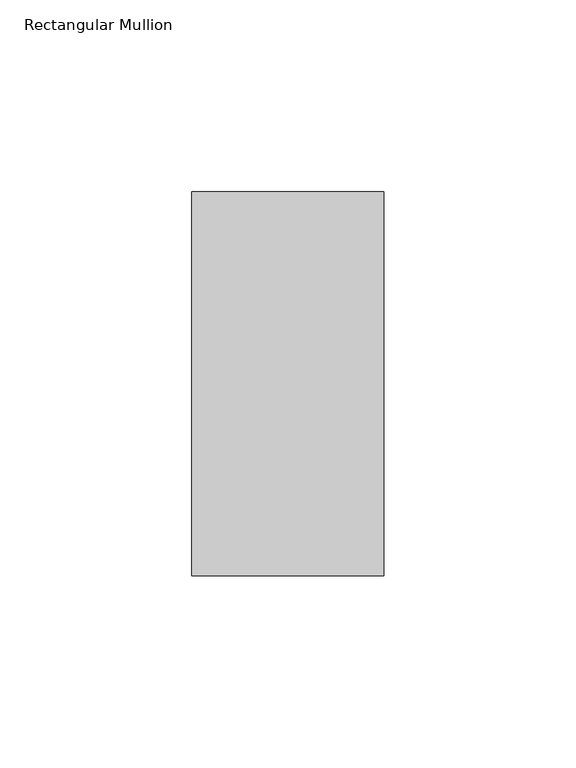
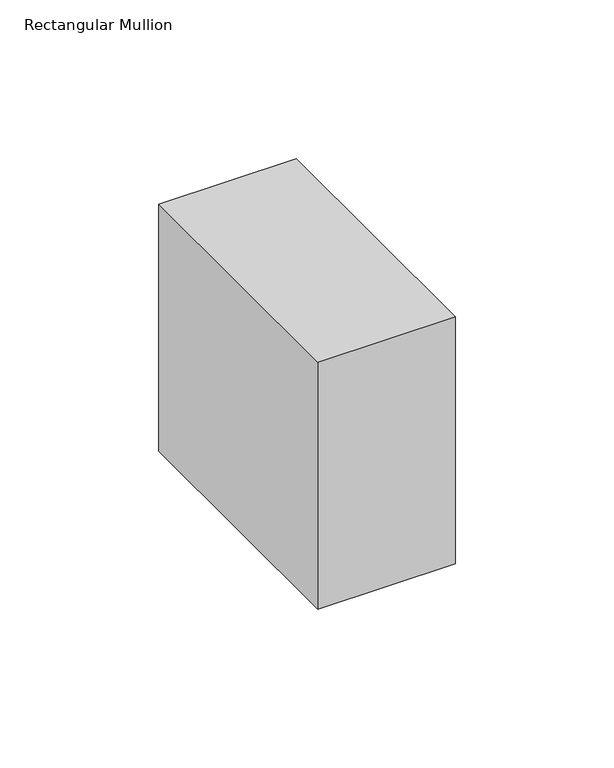
"""IFC4 building model written with IfcOpenShell, lengths in millimetres: member geometry, Rectangular Mullion."""

import ifcopenshell
import ifcopenshell.guid

model = None  # the IFC model being written
_history = None  # IfcOwnerHistory: only IFC2X3 demands one
_inside = {}  # id of a spatial element -> (the spatial element, [elements in it])
_under = {}  # id of a project, library or spatial element -> (it, [spatial elements below it])
_declared = {}  # id of a project -> (the project, [libraries it declares])
_typed = {}  # id of a type object -> (the type object, [elements of that type])
_made_of = {}  # id of a material, layer set ... -> (it, [elements and type objects made of it])


def new_model(schema):
    """Start an empty IFC model of exactly this schema.

    Asked for "IFC4X3", IfcOpenShell would pick the latest addendum, in which some entities
    have other attributes; the version numbers below select the first issue.
    IFC2X3 requires an IfcOwnerHistory on every rooted entity: one is made here for all.
    """
    global model, _history
    if schema == "IFC4X3":
        model = ifcopenshell.file(schema_version=(4, 3, 0, 0))
    else:
        model = ifcopenshell.file(schema=schema)
    _inside.clear()
    _under.clear()
    _declared.clear()
    _typed.clear()
    _made_of.clear()
    _history = None
    if model.schema == "IFC2X3":
        org = make("IfcOrganization", Name="unknown")
        user = make(
            "IfcPersonAndOrganization",
            ThePerson=make("IfcPerson", FamilyName="unknown"),
            TheOrganization=org,
        )
        app = make(
            "IfcApplication",
            ApplicationDeveloper=org,
            Version="unknown",
            ApplicationFullName="unknown",
            ApplicationIdentifier="unknown",
        )
        _history = make(
            "IfcOwnerHistory",
            OwningUser=user,
            OwningApplication=app,
            ChangeAction="ADDED",
            CreationDate=0,
        )
    return model


def make(cls, **values):
    """One entity of the class cls with the attributes given. An attribute that is None is left unset."""
    return model.create_entity(
        cls, **{name: value for name, value in values.items() if value is not None}
    )


def rooted(cls, **values):
    """An entity with a GlobalId (a new one), such as an element, a storey or a relation."""
    return make(cls, GlobalId=ifcopenshell.guid.new(), OwnerHistory=_history, **values)


def si_unit(unit_type, name, prefix=None):
    """IfcSIUnit, for example si_unit("LENGTHUNIT", "METRE", prefix="MILLI")."""
    return make("IfcSIUnit", UnitType=unit_type, Prefix=prefix, Name=name)


def assignment(units):
    """IfcUnitAssignment: the units of a project."""
    return None if units is None else make("IfcUnitAssignment", Units=units)


def point(xyz):
    """IfcCartesianPoint."""
    return None if xyz is None else make("IfcCartesianPoint", Coordinates=xyz)


def direction(xyz):
    """IfcDirection."""
    return None if xyz is None else make("IfcDirection", DirectionRatios=xyz)


def frame(location, z_axis=None, x_axis=None):
    """IfcAxis2Placement3D, a coordinate frame: its origin and axes. An axis left out is left unset."""
    return make(
        "IfcAxis2Placement3D",
        Location=point(location),
        Axis=direction(z_axis),
        RefDirection=direction(x_axis),
    )


def origin():
    """The frame at (0, 0, 0) with its axes left unset."""
    return frame((0.0, 0.0, 0.0))


def place(relative_to, where):
    """IfcLocalPlacement: puts the frame where relative to a parent placement (None: the world)."""
    return make(
        "IfcLocalPlacement", PlacementRelTo=relative_to, RelativePlacement=where
    )


def context(
    kind, dimensions, precision=None, world=None, true_north=None, identifier=None
):
    """IfcGeometricRepresentationContext, for example the 3D "Model" context."""
    return make(
        "IfcGeometricRepresentationContext",
        ContextIdentifier=identifier,
        ContextType=kind,
        CoordinateSpaceDimension=dimensions,
        Precision=precision,
        WorldCoordinateSystem=world,
        TrueNorth=true_north,
    )


def project(units=None, contexts=None):
    """IfcProject with its units and contexts."""
    return rooted(
        "IfcProject",
        Name="project",
        RepresentationContexts=contexts,
        UnitsInContext=assignment(units),
    )


def spatial(cls, under=None, at=None, **own):
    """A site, building, storey or space (cls), placed at a placement, below another one or the project."""
    s = rooted(cls, ObjectPlacement=at, **own)
    if under is not None:
        _under.setdefault(under.id(), (under, []))[1].append(s)
    return s


def polyline(points):
    """IfcPolyline through the points."""
    return make("IfcPolyline", Points=[point(p) for p in points])


def outline(outer, holes=None, kind="AREA"):
    """IfcArbitraryClosedProfileDef: a profile drawn as a closed curve; with holes, ...WithVoids."""
    if holes is None:
        return make("IfcArbitraryClosedProfileDef", ProfileType=kind, OuterCurve=outer)
    return make(
        "IfcArbitraryProfileDefWithVoids",
        ProfileType=kind,
        OuterCurve=outer,
        InnerCurves=holes,
    )


def extrude(swept, where, along, depth):
    """IfcExtrudedAreaSolid: the profile swept, set in the frame where, extruded along a direction by depth."""
    return make(
        "IfcExtrudedAreaSolid",
        SweptArea=swept,
        Position=where,
        ExtrudedDirection=direction(along),
        Depth=depth,
    )


def shape(context_of_items, identifier, shape_type, items):
    """IfcShapeRepresentation: the items that make up one representation, for example the "Body"."""
    return make(
        "IfcShapeRepresentation",
        ContextOfItems=context_of_items,
        RepresentationIdentifier=identifier,
        RepresentationType=shape_type,
        Items=items,
    )


def source(mapping_origin, context_of_items, identifier, shape_type, items):
    """IfcRepresentationMap: a shape defined once, which mapped items show again and again."""
    return make(
        "IfcRepresentationMap",
        MappingOrigin=mapping_origin,
        MappedRepresentation=shape(context_of_items, identifier, shape_type, items),
    )


def transform(
    local_origin,
    x_axis=None,
    y_axis=None,
    z_axis=None,
    scale=None,
    scale2=None,
    scale3=None,
    uniform=True,
):
    """IfcCartesianTransformationOperator3D, or its non-uniform kind. x_axis, y_axis, z_axis: its Axis1, 2, 3."""
    if uniform:
        return make(
            "IfcCartesianTransformationOperator3D",
            Axis1=direction(x_axis),
            Axis2=direction(y_axis),
            LocalOrigin=point(local_origin),
            Scale=scale,
            Axis3=direction(z_axis),
        )
    return make(
        "IfcCartesianTransformationOperator3DnonUniform",
        Axis1=direction(x_axis),
        Axis2=direction(y_axis),
        LocalOrigin=point(local_origin),
        Scale=scale,
        Axis3=direction(z_axis),
        Scale2=scale2,
        Scale3=scale3,
    )


def mapped(mapping_source, mapping_target):
    """IfcMappedItem: shows the shape of a source again, moved by a transform."""
    return make(
        "IfcMappedItem", MappingSource=mapping_source, MappingTarget=mapping_target
    )


def made_of(thing, what):
    """Note that an element or type object is made of a material, layer set ...; save() writes the relation."""
    if what is not None:
        _made_of.setdefault(what.id(), (what, []))[1].append(thing)
    return thing


def element(
    cls,
    number,
    at=None,
    inside=None,
    cuts=None,
    type_object=None,
    material=None,
    context=None,
    identifier="Body",
    shape_type=None,
    held_by="IfcProductDefinitionShape",
    body=None,
    shapes=None,
    **own,
):
    """One element of the class cls, such as IfcWall. Its Tag is "e" and its number.

    at: its placement. inside: the storey or other place that contains it. cuts: it is an
    opening in that element (IfcRelVoidsElement). A single representation is given by context,
    identifier, shape_type and body (its items); several are given by shapes. held_by: the class
    of the entity that holds the representations. save() writes the other relations.
    """
    e = rooted(cls, Tag="e%d" % number, ObjectPlacement=at, **own)
    if body is not None:
        shapes = [shape(context, identifier, shape_type, body)]
    if shapes is not None:
        e.Representation = make(held_by, Representations=shapes)
    if inside is not None:
        _inside.setdefault(inside.id(), (inside, []))[1].append(e)
    if cuts is not None:
        rooted(
            "IfcRelVoidsElement", RelatingBuildingElement=cuts, RelatedOpeningElement=e
        )
    if type_object is not None:
        _typed.setdefault(type_object.id(), (type_object, []))[1].append(e)
    return made_of(e, material)


def aggregate(whole, parts):
    """IfcRelAggregates: a whole, such as a stair, and the parts it consists of."""
    return rooted("IfcRelAggregates", RelatingObject=whole, RelatedObjects=parts)


def save(model, path):
    """Write the relations noted so far, then the file.

    IfcRelAggregates (storeys below a building ...), IfcRelContainedInSpatialStructure (elements
    in a storey), IfcRelDefinesByType, IfcRelAssociatesMaterial and IfcRelDeclares: one each for
    every whole, place, type object, material and project.
    """
    for whole, parts in _under.values():
        aggregate(whole, parts)
    for where, things in _inside.values():
        rooted(
            "IfcRelContainedInSpatialStructure",
            RelatedElements=things,
            RelatingStructure=where,
        )
    for kind, things in _typed.values():
        rooted("IfcRelDefinesByType", RelatedObjects=things, RelatingType=kind)
    for what, things in _made_of.values():
        rooted("IfcRelAssociatesMaterial", RelatedObjects=things, RelatingMaterial=what)
    for by, libraries in _declared.values():
        rooted("IfcRelDeclares", RelatingContext=by, RelatedDefinitions=libraries)
    model.write(path)


def rectangular_mullion_bd4fd06d(model_context):
    return source(origin(), model_context, "Body", "SweptSolid", [
        extrude(outline(polyline([(0.0, 31.0), (0.0, -69.0), (-50.0, -69.0), (-50.0, 31.0), (0.0, 31.0)])), frame((0.0, 0.0, -95.0), z_axis=(0.0, 0.0, 1.0), x_axis=(1.0, 0.0, 0.0)), (0.0, 0.0, 1.0), 95.0),
    ])


if __name__ == "__main__":
    model = new_model("IFC4")
    model_context = context("Model", 3, world=origin())
    ifc_project = project(units=[si_unit("LENGTHUNIT", "METRE", prefix="MILLI")], contexts=[model_context])
    site = spatial("IfcSite", under=ifc_project)
    building = spatial("IfcBuilding", under=site)
    placement = place(None, origin())
    rectangular_mullion_shape = rectangular_mullion_bd4fd06d(model_context)
    element("IfcMember", 1, ObjectType="Rectangular Mullion", at=placement, inside=building, context=model_context, shape_type="MappedRepresentation", body=[
        mapped(rectangular_mullion_shape, transform((0.0, 0.0, 0.0), x_axis=(1.0, 0.0, 0.0), y_axis=(0.0, 1.0, 0.0), z_axis=(0.0, 0.0, 1.0))),
    ])
    save(model, "model.ifc")
